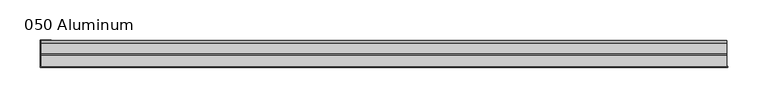
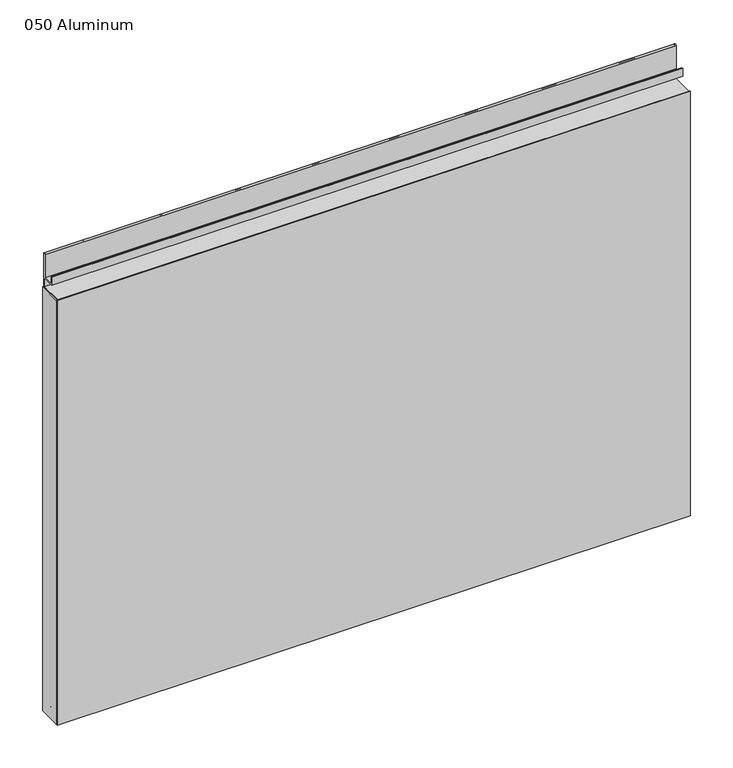
"""IFC4 building model written with IfcOpenShell, lengths in millimetres: plate geometry, 050 Aluminum."""

from ifc_helpers import new_model, si_unit, point, frame, frame_2d, origin, origin_with_axes, place, context, project, spatial, polyline, circle_curve, trimmed, segment, composite_curve, outline, extrude, source, transform, mapped, element, save


def plate_050_aluminum_be96d798(model_context):
    return source(origin(), model_context, "Body", "SweptSolid", [
        extrude(outline(polyline([(-428.2942151, -2.5660257), (-428.2942151, -34.7980001), (-429.564215, -34.7980001), (-429.564215, -1.2699999), (-415.4037145, -1.2699999), (-415.4037145, -2.5660257), (-428.2942151, -2.5660257)])), origin_with_axes(), (0.0, 0.0, 1.0), 608.33),
        extrude(outline(composite_curve([segment(polyline([(-16.6765477, 13.1458337), (-16.6765477, 2.786437), (-17.9464915, 2.786437), (-17.9464915, 13.1323356)]), True, "CONTINUOUS"), segment(trimmed(circle_curve(frame_2d((-19.8514743, 13.124237)), 1.905), [point((-17.9464915, 13.1323356))], [point((-21.7564743, 13.124237))], True, "CARTESIAN"), True, "CONTINUOUS"), segment(polyline([(-21.7564743, 13.124237), (-21.7564743, 0.0), (-34.7980002, 0.0), (-34.7980002, 1.2693678), (-23.0264743, 1.2693678), (-23.0264743, 13.124237)]), True, "CONTINUOUS"), segment(trimmed(circle_curve(frame_2d((-19.8514743, 13.124237)), 3.175), [point((-23.0264743, 13.124237))], [point((-16.6765477, 13.1458337))], False, "CARTESIAN"), True, "CONTINUOUS")], self_intersect=False)), frame((-428.2942151, 0.0, 0.0), z_axis=(1.0, 0.0, 0.0), x_axis=(0.0, 1.0, 0.0)), (0.0, 0.0, 1.0), 856.5884302),
        extrude(outline(composite_curve([segment(polyline([(-2.0574743, 656.7932001), (-2.0574743, 608.33), (-34.7980002, 608.33), (-34.7980002, 609.6000001), (-3.3274743, 609.6000001), (-3.3274743, 656.7932001)]), True, "CONTINUOUS"), segment(trimmed(circle_curve(frame_2d((-3.7084742, 656.7932001)), 0.3809999), [point((-3.3274743, 656.7932001))], [point((-4.0894742, 656.7932001))], True, "CARTESIAN"), True, "CONTINUOUS"), segment(polyline([(-4.0894742, 656.7932001), (-4.0894742, 622.3), (-20.4864742, 622.3), (-20.4864742, 633.6538), (-19.2164743, 633.6538), (-19.2164743, 623.57), (-5.3594742, 623.57), (-5.3594742, 656.7932001)]), True, "CONTINUOUS"), segment(trimmed(circle_curve(frame_2d((-3.7084742, 656.7932001)), 1.6509999), [point((-5.3594742, 656.7932001))], [point((-2.0574743, 656.7932001))], False, "CARTESIAN"), True, "CONTINUOUS")], self_intersect=False)), frame((-428.2942151, 0.0, 0.0), z_axis=(1.0, 0.0, 0.0), x_axis=(0.0, 1.0, 0.0)), (0.0, 0.0, 1.0), 856.5884302),
        extrude(outline(polyline([(-429.5642151, -36.068), (-429.5642151, -34.7980001), (429.5642151, -34.7980001), (429.5642151, -36.068), (-429.5642151, -36.068)])), origin_with_axes(), (0.0, 0.0, 1.0), 609.6),
    ])


if __name__ == "__main__":
    model = new_model("IFC4")
    model_context = context("Model", 3, world=origin())
    ifc_project = project(units=[si_unit("LENGTHUNIT", "METRE", prefix="MILLI")], contexts=[model_context])
    site = spatial("IfcSite", under=ifc_project)
    building = spatial("IfcBuilding", under=site)
    placement = place(None, origin())
    plate_050_aluminum_shape = plate_050_aluminum_be96d798(model_context)
    element("IfcPlate", 1, ObjectType="050 Aluminum", at=placement, inside=building, context=model_context, shape_type="MappedRepresentation", body=[
        mapped(plate_050_aluminum_shape, transform((0.0, 0.0, 0.0), x_axis=(1.0, 0.0, 0.0), y_axis=(0.0, 1.0, 0.0), z_axis=(0.0, 0.0, 1.0))),
    ])
    save(model, "model.ifc")
